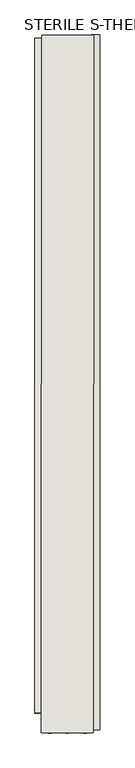
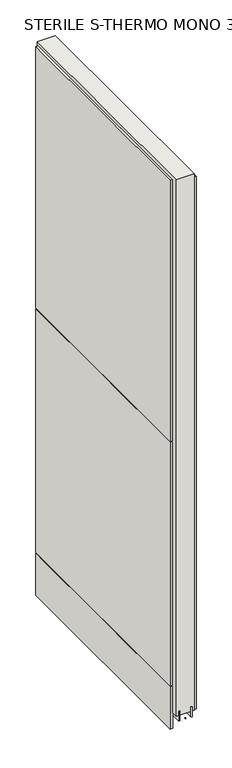
"""IFC4 building model written with IfcOpenShell, lengths in millimetres: wall geometry, STERILE S-THERMO MONO 336468 : STERILE S-THERMO MONO 336468."""

from ifc_helpers import new_model, si_unit, frame, origin, place, context, project, spatial, polyline, outline, extrude, source, transform, mapped, element, save


def sterile_s_thermo_mono_336468_sterile_s_thermo_mono_336468_e73f893d(model_context):
    return source(origin(), model_context, "Body", "SweptSolid", [
        extrude(outline(polyline([(86788.365793, -44090.9571062), (86788.365793, -44088.4171062), (86790.905793, -44088.4171062), (86790.905793, -44090.9571062), (86788.365793, -44090.9571062)])), frame((0.0, 0.0, 4419.6), z_axis=(0.0, 0.0, 1.0), x_axis=(1.0, 0.0, 0.0)), (0.0, 0.0, 1.0), 2.54),
        extrude(outline(polyline([(86840.6218226, -43001.0427887), (86840.6218226, -44086.5096805), (86827.9218226, -44086.5096805), (86827.9218226, -43001.0427887), (86840.6218226, -43001.0427887)])), frame((0.0, 0.0, 4445.0), z_axis=(0.0, 0.0, 1.0), x_axis=(1.0, 0.0, 0.0)), (0.0, 0.0, 1.0), 2545.0498756),
        extrude(outline(polyline([(86739.0280202, -44059.8110928), (86739.0280202, -43005.9442648), (86751.7280202, -43005.9442648), (86751.7280202, -44059.8110928), (86739.0280202, -44059.8110928)])), frame((0.0, 0.0, 4573.9999706), z_axis=(0.0, 0.0, 1.0), x_axis=(1.0, 0.0, 0.0)), (0.0, 0.0, 1.0), 1164.400008),
        extrude(outline(polyline([(86739.0280202, -44059.8110928), (86739.0280202, -43005.9442648), (86751.7280202, -43005.9442648), (86751.7280202, -44059.8110928), (86739.0280202, -44059.8110928)])), frame((0.0, 0.0, 4368.1000014), z_axis=(0.0, 0.0, 1.0), x_axis=(1.0, 0.0, 0.0)), (0.0, 0.0, 1.0), 201.9000026),
        extrude(outline(polyline([(86739.0280202, -44059.8110928), (86739.0280202, -43005.9442648), (86751.7280202, -43005.9442648), (86751.7280202, -44059.8110928), (86739.0280202, -44059.8110928)])), frame((0.0, 0.0, 5742.4000722), z_axis=(0.0, 0.0, 1.0), x_axis=(1.0, 0.0, 0.0)), (0.0, 0.0, 1.0), 1247.649905),
        extrude(outline(polyline([(86814.71334, -44090.970746), (86815.0915968, -43001.5147588), (86820.1703522, -43001.5147588), (86819.8168858, -44090.970746), (86814.71334, -44090.970746)])), frame((0.0, 0.0, 4418.6602), z_axis=(0.0, 0.0, 1.0), x_axis=(1.0, 0.0, 0.0)), (0.0, 0.0, 1.0), 47.625),
        extrude(outline(polyline([(86814.71334, -44090.970746), (86815.0915968, -43001.5147588), (86820.1703522, -43001.5147588), (86819.8168858, -44090.970746), (86814.71334, -44090.970746)])), frame((0.0, 0.0, 4418.6602), z_axis=(0.0, 0.0, 1.0), x_axis=(1.0, 0.0, 0.0)), (0.0, 0.0, 1.0), 47.625),
        extrude(outline(polyline([(86764.924133, -43001.4899684), (86764.5458508, -44090.9459556), (86759.4918858, -44090.9459556), (86759.8453522, -43001.4899684), (86764.924133, -43001.4899684)])), frame((0.0, 0.0, 4418.6602), z_axis=(0.0, 0.0, 1.0), x_axis=(1.0, 0.0, 0.0)), (0.0, 0.0, 1.0), 47.625),
        extrude(outline(polyline([(86764.924133, -43001.4899684), (86764.5458508, -44090.9459556), (86759.4918858, -44090.9459556), (86759.8453522, -43001.4899684), (86764.924133, -43001.4899684)])), frame((0.0, 0.0, 4418.6602), z_axis=(0.0, 0.0, 1.0), x_axis=(1.0, 0.0, 0.0)), (0.0, 0.0, 1.0), 47.625),
        extrude(outline(polyline([(86830.2782822, -44090.970746), (86748.9995014, -44090.9459556), (86749.3839812, -43001.4899684), (86830.6627366, -43001.5147588), (86830.2782822, -44090.970746)])), frame((0.0, 0.0, 4445.0), z_axis=(0.0, 0.0, 1.0), x_axis=(1.0, 0.0, 0.0)), (0.0, 0.0, 1.0), 2562.4536762),
    ])


if __name__ == "__main__":
    model = new_model("IFC4")
    model_context = context("Model", 3, world=origin())
    ifc_project = project(units=[si_unit("LENGTHUNIT", "METRE", prefix="MILLI")], contexts=[model_context])
    site = spatial("IfcSite", under=ifc_project)
    building = spatial("IfcBuilding", under=site)
    placement = place(None, origin())
    sterile_s_thermo_mono_336468_sterile_s_thermo_mono_336468_shape = sterile_s_thermo_mono_336468_sterile_s_thermo_mono_336468_e73f893d(model_context)
    element("IfcWall", 1, ObjectType="STERILE S-THERMO MONO 336468 : STERILE S-THERMO MONO 336468", at=placement, inside=building, context=model_context, shape_type="MappedRepresentation", body=[
        mapped(sterile_s_thermo_mono_336468_sterile_s_thermo_mono_336468_shape, transform((0.0, 0.0, 0.0), x_axis=(1.0, 0.0, 0.0), y_axis=(0.0, 1.0, 0.0), z_axis=(0.0, 0.0, 1.0))),
    ])
    save(model, "model.ifc")
